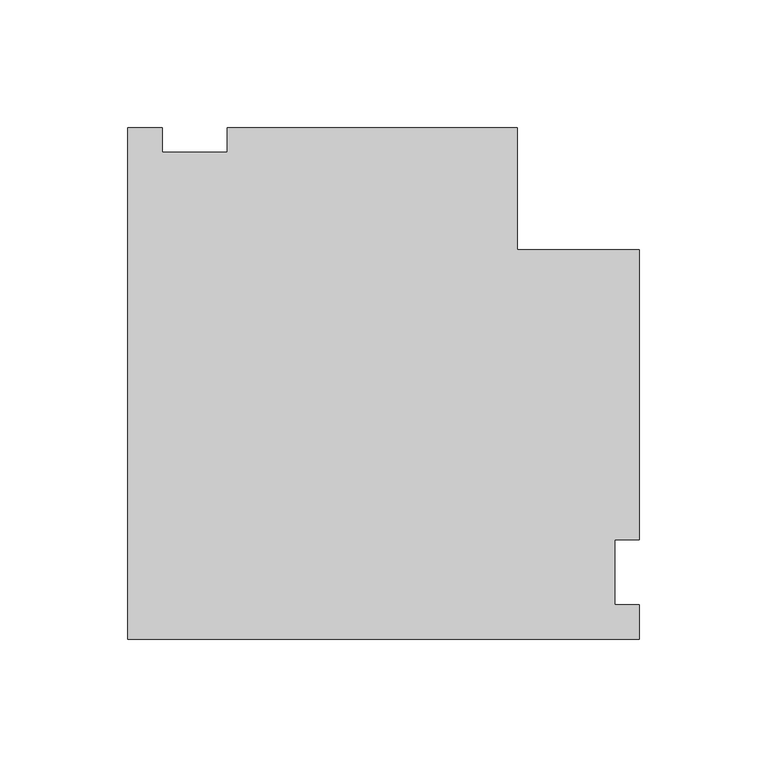
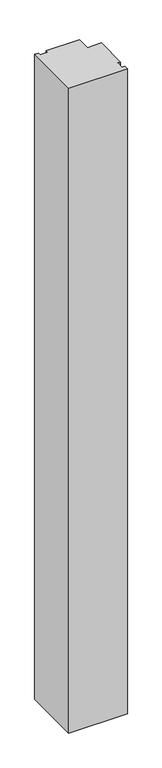
"""IFC4 building model written with IfcOpenShell, lengths in millimetres: proxy geometry."""

from ifc_helpers import new_model, si_unit, frame, origin, place, context, project, spatial, polyline, outline, extrude, source, transform, mapped, element, save


def specialty_equipment_c5e97fb9(model_context):
    return source(origin(), model_context, "Body", "SweptSolid", [
        extrude(outline(polyline([(-26.19375, 173.98365), (-12.7, 173.98365), (-12.7, 164.45865), (12.7, 164.45865), (12.7, 173.98365), (126.20625, 173.98365), (126.20625, 126.20625), (173.983587, 126.20625), (173.983587, 12.7), (164.458587, 12.7), (164.458587, -12.7), (173.983587, -12.7), (173.983587, -26.19375), (-26.19375, -26.19375), (-26.19375, 173.98365)])), frame((0.0, 0.0, 50.8), z_axis=(0.0, 0.0, 1.0), x_axis=(1.0, 0.0, 0.0)), (0.0, 0.0, 1.0), 2324.1),
    ])


if __name__ == "__main__":
    model = new_model("IFC4")
    model_context = context("Model", 3, world=origin())
    ifc_project = project(units=[si_unit("LENGTHUNIT", "METRE", prefix="MILLI")], contexts=[model_context])
    site = spatial("IfcSite", under=ifc_project)
    building = spatial("IfcBuilding", under=site)
    placement = place(None, origin())
    specialty_equipment_shape = specialty_equipment_c5e97fb9(model_context)
    element("IfcBuildingElementProxy", 1, Name="Specialty Equipment", at=placement, inside=building, context=model_context, shape_type="MappedRepresentation", body=[
        mapped(specialty_equipment_shape, transform((0.0, 0.0, 0.0), x_axis=(1.0, 0.0, 0.0), y_axis=(0.0, 1.0, 0.0), z_axis=(0.0, 0.0, 1.0))),
    ])
    save(model, "model.ifc")
